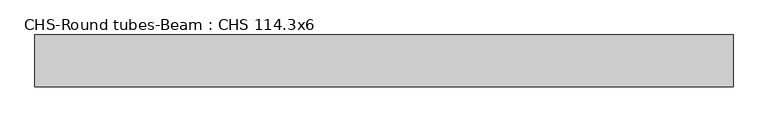
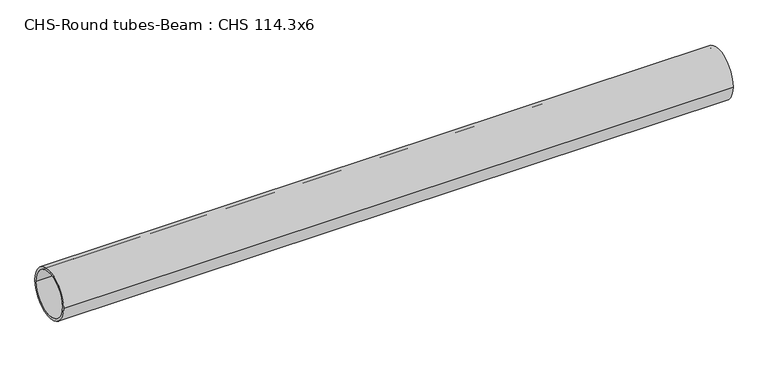
"""IFC4 building model written with IfcOpenShell, lengths in millimetres: beam geometry, CHS-Round tubes-Beam : CHS 114.3x6."""

from ifc_helpers import new_model, si_unit, point, frame, origin, origin_2d, place, context, project, spatial, circle_curve, trimmed, segment, composite_curve, outline, extrude, source, transform, mapped, element, save


def chs_round_tubes_beam_chs_114_3x6_73fb38ca(model_context):
    return source(origin(), model_context, "Body", "SweptSolid", [
        extrude(outline(composite_curve([segment(trimmed(circle_curve(origin_2d(), 57.15), [point((57.15, 0.0))], [point((-57.15, 0.0))], False, "CARTESIAN"), True, "CONTINUOUS"), segment(trimmed(circle_curve(origin_2d(), 57.15), [point((-57.15, 0.0))], [point((57.15, 0.0))], False, "CARTESIAN"), True, "CONTINUOUS")], self_intersect=False), holes=[composite_curve([segment(trimmed(circle_curve(origin_2d(), 51.15), [point((51.15, 0.0))], [point((-51.15, 0.0))], True, "CARTESIAN"), True, "CONTINUOUS"), segment(trimmed(circle_curve(origin_2d(), 51.15), [point((-51.15, 0.0))], [point((51.15, 0.0))], True, "CARTESIAN"), True, "CONTINUOUS")], self_intersect=False)]), frame((-739.6919503, 0.0, 0.0), z_axis=(1.0, 0.0, 0.0), x_axis=(0.0, 1.0, 0.0)), (0.0, 0.0, 1.0), 1535.8065109),
    ])


if __name__ == "__main__":
    model = new_model("IFC4")
    model_context = context("Model", 3, world=origin())
    ifc_project = project(units=[si_unit("LENGTHUNIT", "METRE", prefix="MILLI")], contexts=[model_context])
    site = spatial("IfcSite", under=ifc_project)
    building = spatial("IfcBuilding", under=site)
    placement = place(None, origin())
    chs_round_tubes_beam_chs_114_3x6_shape = chs_round_tubes_beam_chs_114_3x6_73fb38ca(model_context)
    element("IfcBeam", 1, ObjectType="CHS-Round tubes-Beam : CHS 114.3x6", at=placement, inside=building, context=model_context, shape_type="MappedRepresentation", body=[
        mapped(chs_round_tubes_beam_chs_114_3x6_shape, transform((0.0, 0.0, 0.0), x_axis=(1.0, 0.0, 0.0), y_axis=(0.0, 1.0, 0.0), z_axis=(0.0, 0.0, 1.0))),
    ])
    save(model, "model.ifc")
